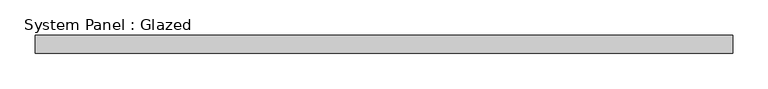
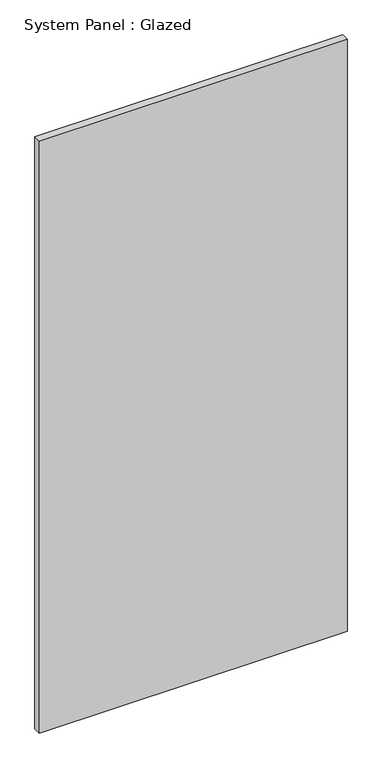
"""IFC4 building model written with IfcOpenShell, lengths in millimetres: plate geometry, System Panel : Glazed."""

from ifc_helpers import new_model, si_unit, origin, origin_with_axes, place, context, project, spatial, polyline, outline, extrude, source, transform, mapped, element, save


def system_panel_glazed_9bf88694(model_context):
    return source(origin(), model_context, "Body", "SweptSolid", [
        extrude(outline(polyline([(491.6177345, 24.5), (-491.6177345, 24.5), (-491.6177345, 49.5), (491.6177345, 49.5), (491.6177345, 24.5)])), origin_with_axes(), (0.0, 0.0, 1.0), 2000.0),
    ])


if __name__ == "__main__":
    model = new_model("IFC4")
    model_context = context("Model", 3, world=origin())
    ifc_project = project(units=[si_unit("LENGTHUNIT", "METRE", prefix="MILLI")], contexts=[model_context])
    site = spatial("IfcSite", under=ifc_project)
    building = spatial("IfcBuilding", under=site)
    placement = place(None, origin())
    system_panel_glazed_shape = system_panel_glazed_9bf88694(model_context)
    element("IfcPlate", 1, ObjectType="System Panel : Glazed", at=placement, inside=building, context=model_context, shape_type="MappedRepresentation", body=[
        mapped(system_panel_glazed_shape, transform((0.0, 0.0, 0.0), x_axis=(1.0, 0.0, 0.0), y_axis=(0.0, 1.0, 0.0), z_axis=(0.0, 0.0, 1.0))),
    ])
    save(model, "model.ifc")
